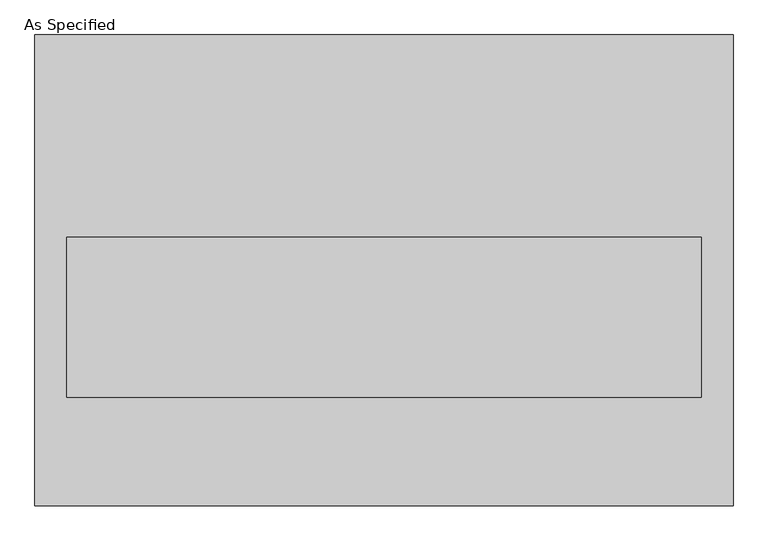
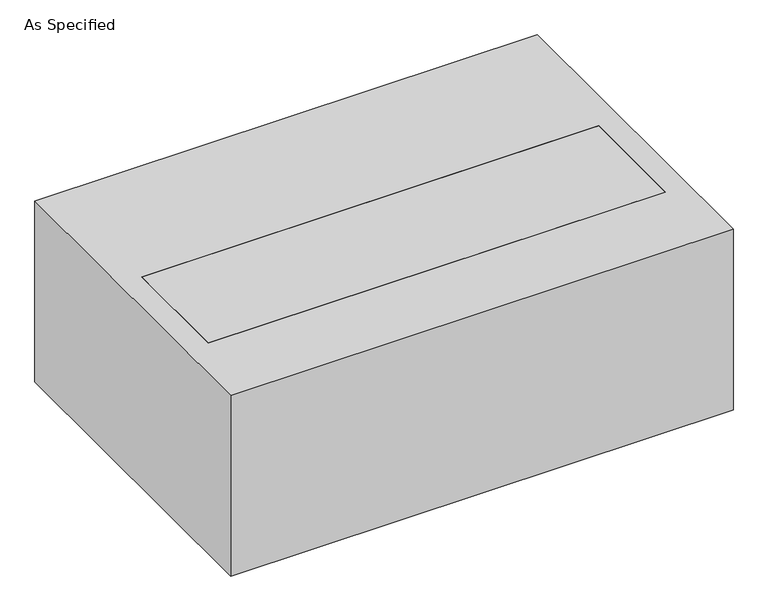
"""IFC4 building model written with IfcOpenShell, lengths in millimetres: proxy geometry, As Specified."""

from ifc_helpers import new_model, si_unit, frame, origin, place, context, project, spatial, polyline, outline, extrude, faceted_brep, source, transform, mapped, element, save


def as_specified_4f90ab71(model_context):
    return source(origin(), model_context, "Body", "SolidModel", [
        faceted_brep([(-663.575, 447.675, -25.4), (-663.575, 447.675, -530.225), (-663.575, -447.675, -530.225), (-663.575, -447.675, -25.4), (-603.25, 63.5, -25.4), (-603.25, -241.3, -25.4), (-603.25, -241.3, -373.0625), (-603.25, 63.5, -373.0625), (663.575, 447.675, -25.4), (663.575, -447.675, -25.4), (603.25, 63.5, -25.4), (603.25, -241.3, -25.4), (663.575, -447.675, -530.225), (663.575, 447.675, -530.225), (603.25, 63.5, -373.0625), (603.25, -241.3, -373.0625)], [[[0, 1, 2, 3]], [[4, 5, 6, 7]], [[8, 0, 3, 9], [5, 4, 10, 11]], [[8, 9, 12, 13]], [[12, 9, 3, 2]], [[13, 12, 2, 1]], [[8, 13, 1, 0]], [[4, 7, 14, 10]], [[7, 6, 15, 14]], [[6, 5, 11, 15]], [[11, 10, 14, 15]]]),
        extrude(outline(polyline([(603.25, 63.5), (603.25, -241.3), (-603.25, -241.3), (-603.25, 63.5), (603.25, 63.5)])), frame((0.0, 0.0, -373.0625), z_axis=(0.0, 0.0, 1.0), x_axis=(1.0, 0.0, 0.0)), (0.0, 0.0, 1.0), 347.6625),
    ])


if __name__ == "__main__":
    model = new_model("IFC4")
    model_context = context("Model", 3, world=origin())
    ifc_project = project(units=[si_unit("LENGTHUNIT", "METRE", prefix="MILLI")], contexts=[model_context])
    site = spatial("IfcSite", under=ifc_project)
    building = spatial("IfcBuilding", under=site)
    placement = place(None, origin())
    as_specified_shape = as_specified_4f90ab71(model_context)
    element("IfcBuildingElementProxy", 1, Name="As Specified", ObjectType="As Specified", at=placement, inside=building, context=model_context, shape_type="MappedRepresentation", body=[
        mapped(as_specified_shape, transform((0.0, 0.0, 0.0), x_axis=(1.0, 0.0, 0.0), y_axis=(0.0, 1.0, 0.0), z_axis=(0.0, 0.0, 1.0))),
    ])
    save(model, "model.ifc")
